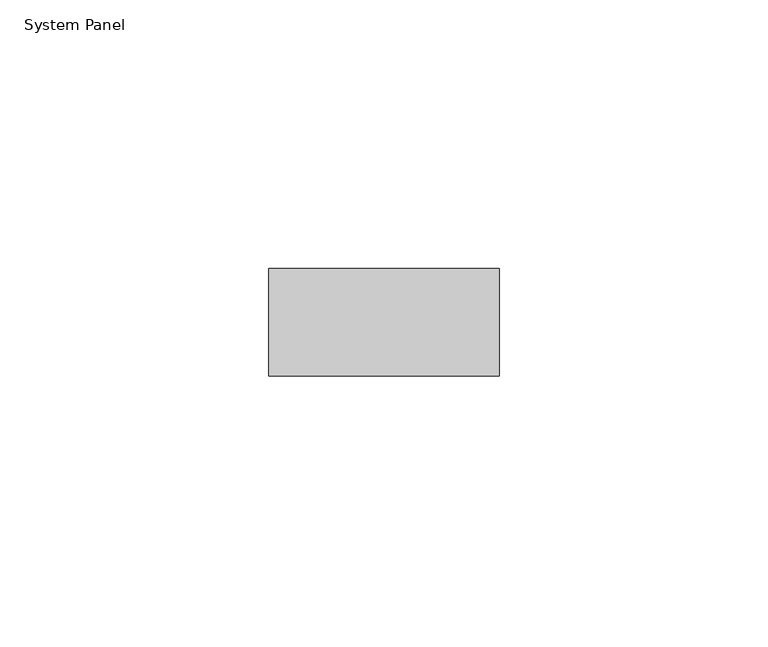
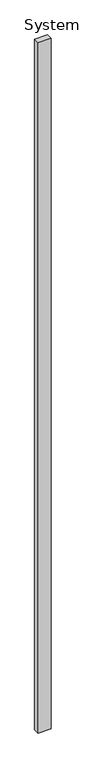
"""IFC4 building model written with IfcOpenShell, lengths in millimetres: plate geometry, System Panel."""

from ifc_helpers import new_model, si_unit, origin, origin_with_axes, place, context, project, spatial, polyline, outline, extrude, source, transform, mapped, element, save


def system_panel_46f94994(model_context):
    return source(origin(), model_context, "Body", "SweptSolid", [
        extrude(outline(polyline([(21.4228488, -10.0), (-21.4228488, -10.0), (-21.4228488, 10.0), (21.4228488, 10.0), (21.4228488, -10.0)])), origin_with_axes(), (0.0, 0.0, 1.0), 2400.0),
    ])


if __name__ == "__main__":
    model = new_model("IFC4")
    model_context = context("Model", 3, world=origin())
    ifc_project = project(units=[si_unit("LENGTHUNIT", "METRE", prefix="MILLI")], contexts=[model_context])
    site = spatial("IfcSite", under=ifc_project)
    building = spatial("IfcBuilding", under=site)
    placement = place(None, origin())
    system_panel_shape = system_panel_46f94994(model_context)
    element("IfcPlate", 1, ObjectType="System Panel", at=placement, inside=building, context=model_context, shape_type="MappedRepresentation", body=[
        mapped(system_panel_shape, transform((0.0, 0.0, 0.0), x_axis=(1.0, 0.0, 0.0), y_axis=(0.0, 1.0, 0.0), z_axis=(0.0, 0.0, 1.0))),
    ])
    save(model, "model.ifc")
